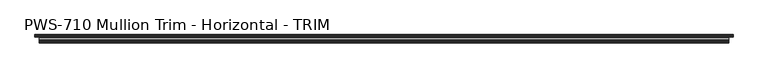
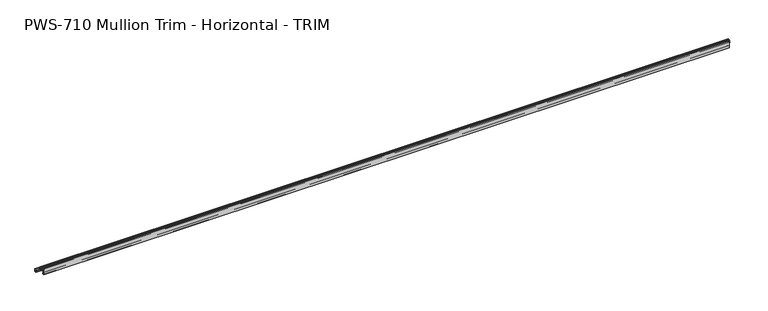
"""IFC4 building model written with IfcOpenShell, lengths in millimetres: proxy geometry, PWS-710 Mullion Trim - Horizontal - TRIM."""

from ifc_helpers import new_model, si_unit, frame, origin, place, context, project, spatial, polyline, circle_curve, source, transform, mapped, element, save
from ifc_brep_helpers import plane_surface, cylinder_surface, revolved_surface, advanced_brep


def pws_710_mullion_trim_horizontal_trim_9fc55dce(model_context):
    return source(origin(), model_context, "Body", "AdvancedBrep", [
        advanced_brep(
        [(4314.7257813, 49.2125, 14.2917752), (4314.7257813, 49.2125, 2.38252), (4314.7257813, 48.41748, 1.5875), (4314.7257813, 46.89602, 1.5875), (4314.7257813, 46.101, 2.38252), (4314.7257813, 46.101, 4.4357599), (4314.7257813, 42.1005, 7.9585261), (4314.7257813, 38.1, 4.4357599), (4314.7257813, 38.1, 0.762), (4314.7257813, 40.4372806, 0.762), (4314.7257813, 40.5340531, 1.6997088), (4314.7257813, 39.6875, 1.6997088), (4314.7257813, 39.6875, 4.207924), (4314.7257813, 42.1005, 6.35), (4314.7257813, 44.5135, 4.207924), (4314.7257813, 44.5135, 1.6997088), (4314.7257813, 43.6245, 1.6997088), (4314.7257813, 43.6245, 0.9083659), (4314.7257813, 44.7430936, 0.0), (4314.7257813, 50.8, 0.0), (4314.7257813, 50.8, 17.907), (4314.7257813, 49.2125, 17.907), (4314.7257813, 49.2125, 15.875), (4314.7257813, 36.9194335, 15.875), (4314.7257813, 36.9194335, 14.2917752), (0.0, 49.2125, 15.875), (0.0, 49.2125, 17.907), (0.0, 50.8, 17.907), (0.0, 50.8, 0.0), (0.0, 44.7430936, 0.0), (0.0, 43.6245, 0.9083659), (0.0, 43.6245, 1.6997088), (0.0, 44.5135, 1.6997088), (0.0, 44.5135, 4.207924), (0.0, 42.1005, 6.35), (0.0, 39.6875, 4.207924), (0.0, 39.6875, 1.6997088), (0.0, 40.5340531, 1.6997088), (0.0, 40.4372806, 0.762), (0.0, 38.1, 0.762), (0.0, 38.1, 4.4357599), (0.0, 42.1005, 7.9585261), (0.0, 46.101, 4.4357599), (0.0, 46.101, 2.38252), (0.0, 46.89602, 1.5875), (0.0, 48.41748, 1.5875), (0.0, 49.2125, 2.38252), (0.0, 49.2125, 14.2917752), (0.0, 36.9194335, 14.2917752), (0.0, 36.9194335, 15.875), (4289.3257813, 1.5875, 30.95625), (25.4, 1.5875, 30.95625), (25.4, 1.5875, 42.06748), (4289.3257813, 1.5875, 42.06748), (25.4, 2.38252, 42.8625), (4289.3257813, 2.38252, 42.8625), (25.4, 3.90398, 42.8625), (4289.3257813, 3.90398, 42.8625), (25.4, 4.699, 42.06748), (4289.3257813, 4.699, 42.06748), (25.4, 4.699, 40.0142401), (4289.3257813, 4.699, 40.0142401), (25.4, 8.6995, 36.4914739), (4289.3257813, 8.6995, 36.4914739), (25.4, 12.7, 40.0142401), (4289.3257813, 12.7, 40.0142401), (25.4, 12.7, 43.688), (4289.3257813, 12.7, 43.688), (25.4, 10.3627194, 43.688), (4289.3257813, 10.3627194, 43.688), (25.4, 10.2659469, 42.7502912), (4289.3257813, 10.2659469, 42.7502912), (25.4, 11.1125, 42.7502912), (4289.3257813, 11.1125, 42.7502912), (25.4, 11.1125, 40.242076), (4289.3257813, 11.1125, 40.242076), (25.4, 8.6995, 38.1), (4289.3257813, 8.6995, 38.1), (25.4, 6.2865, 40.242076), (4289.3257813, 6.2865, 40.242076), (25.4, 6.2865, 42.7502912), (4289.3257813, 6.2865, 42.7502912), (25.4, 7.1755, 42.7502912), (4289.3257813, 7.1755, 42.7502912), (25.4, 7.1755, 43.5416341), (4289.3257813, 7.1755, 43.5416341), (25.4, 6.0569064, 44.45), (4289.3257813, 6.0569064, 44.45), (25.4, 0.0, 44.45), (4289.3257813, 0.0, 44.45), (25.4, 0.0, 0.0), (4289.3257813, 0.0, 0.0), (25.4, 6.0569064, 0.0), (4289.3257813, 6.0569064, 0.0), (25.4, 7.1755, 0.9083659), (4289.3257813, 7.1755, 0.9083659), (25.4, 7.1755, 1.6997088), (4289.3257813, 7.1755, 1.6997088), (25.4, 6.2865, 1.6997088), (4289.3257813, 6.2865, 1.6997088), (25.4, 6.2865, 4.207924), (4289.3257813, 6.2865, 4.207924), (25.4, 8.6995, 6.35), (4289.3257813, 8.6995, 6.35), (25.4, 11.1125, 4.207924), (4289.3257813, 11.1125, 4.207924), (25.4, 11.1125, 1.6997088), (4289.3257813, 11.1125, 1.6997088), (25.4, 10.2659469, 1.6997088), (4289.3257813, 10.2659469, 1.6997088), (25.4, 10.3627194, 0.762), (4289.3257813, 10.3627194, 0.762), (25.4, 12.7, 0.762), (4289.3257813, 12.7, 0.762), (25.4, 12.7, 4.4357599), (4289.3257813, 12.7, 4.4357599), (25.4, 8.6995, 7.9585261), (4289.3257813, 8.6995, 7.9585261), (25.4, 4.699, 4.4357599), (4289.3257813, 4.699, 4.4357599), (25.4, 4.699, 2.38252), (4289.3257813, 4.699, 2.38252), (25.4, 3.90398, 1.5875), (4289.3257813, 3.90398, 1.5875), (25.4, 2.38252, 1.5875), (4289.3257813, 2.38252, 1.5875), (25.4, 1.5875, 2.38252), (4289.3257813, 1.5875, 2.38252), (25.4, 1.5875, 26.19375), (4289.3257813, 1.5875, 26.19375), (25.4, 3.175, 27.78125), (4289.3257813, 3.175, 27.78125), (25.4, 15.24, 27.78125), (4289.3257813, 15.24, 27.78125), (25.4, 16.8275, 26.19375), (4289.3257813, 16.8275, 26.19375), (25.4, 16.8275, 15.8792752), (4289.3257813, 16.8275, 15.8792752), (25.4, 15.24, 15.8792752), (4289.3257813, 15.24, 15.8792752), (25.4, 15.24, 14.2917752), (4289.3257813, 15.24, 14.2917752), (25.4, 18.415, 14.2917752), (4289.3257813, 18.415, 14.2917752), (25.4, 18.415, 20.2427626), (4289.3257813, 18.415, 20.2427626), (25.4, 32.385, 20.2427626), (4289.3257813, 32.385, 20.2427626), (25.4, 32.385, 14.2917752), (4289.3257813, 32.385, 14.2917752), (25.4, 35.56, 14.2917752), (4289.3257813, 35.56, 14.2917752), (4289.3257813, 36.9194335, 14.2917752), (25.4, 36.9194335, 14.2917752), (25.4, 36.9194335, 15.875), (25.4, 34.76625, 15.875), (4289.3257813, 34.76625, 15.875), (4289.3257813, 36.9194335, 15.875), (25.4, 33.9725, 15.875), (4289.3257813, 33.9725, 15.875), (25.4, 33.9725, 17.4625), (4289.3257813, 33.9725, 17.4625), (25.4, 35.56, 17.4625), (4289.3257813, 35.56, 17.4625), (25.4, 36.35502, 18.25752), (4289.3257813, 36.35502, 18.25752), (25.4, 36.35502, 19.05), (4289.3257813, 36.35502, 19.05), (25.4, 33.9725, 19.05), (4289.3257813, 33.9725, 19.05), (25.4, 33.9725, 27.78125), (4289.3257813, 33.9725, 27.78125), (25.4, 35.56, 27.78125), (4289.3257813, 35.56, 27.78125), (25.4, 35.56, 29.36875), (4289.3257813, 35.56, 29.36875), (25.4, 32.385, 29.36875), (4289.3257813, 32.385, 29.36875), (25.4, 32.385, 23.4177626), (4289.3257813, 32.385, 23.4177626), (25.4, 18.415, 23.4177626), (4289.3257813, 18.415, 23.4177626), (25.4, 18.415, 29.36875), (4289.3257813, 18.415, 29.36875), (25.4, 3.175, 29.36875), (4289.3257813, 3.175, 29.36875)],
        [
            (0, 1),
            (1, 2, circle_curve(frame((4314.7257813, 48.41748, 2.38252), z_axis=(-1.0, 0.0, 0.0), x_axis=(0.0, 1.0, 0.0)), 0.79502)),
            (2, 3),
            (3, 4, circle_curve(frame((4314.7257813, 46.89602, 2.38252), z_axis=(-1.0, 0.0, 0.0), x_axis=(0.0, 1.0, 0.0)), 0.79502)),
            (4, 5),
            (5, 6, circle_curve(frame((4314.7257813, 41.4694327, 3.2089841), z_axis=(1.0, 0.0, 0.0), x_axis=(0.0, 1.0, 0.0)), 4.7912832)),
            (6, 7, circle_curve(frame((4314.7257813, 42.7315673, 3.2089841), z_axis=(1.0, 0.0, 0.0), x_axis=(0.0, 1.0, 0.0)), 4.7912832)),
            (7, 8),
            (8, 9),
            (9, 10, circle_curve(frame((4314.7257813, 39.4755121, 1.3351034), z_axis=(1.0, 0.0, 0.0), x_axis=(0.0, 1.0, 0.0)), 1.1195742)),
            (10, 11),
            (11, 12),
            (12, 13, circle_curve(frame((4314.7257813, 42.7315673, 3.2089841), z_axis=(-1.0, 0.0, 0.0), x_axis=(0.0, 1.0, 0.0)), 3.2037832)),
            (13, 14, circle_curve(frame((4314.7257813, 41.4694327, 3.2089841), z_axis=(-1.0, 0.0, 0.0), x_axis=(0.0, 1.0, 0.0)), 3.2037832)),
            (14, 15),
            (15, 16),
            (16, 17),
            (17, 18, circle_curve(frame((4314.7257813, 44.7430936, 1.1429206), z_axis=(1.0, 0.0, 0.0), x_axis=(0.0, 1.0, 0.0)), 1.1429206)),
            (18, 19),
            (19, 20),
            (20, 21),
            (21, 22),
            (22, 23),
            (23, 24),
            (24, 0),
            (25, 26),
            (26, 27),
            (27, 28),
            (28, 29),
            (29, 30, circle_curve(frame((0.0, 44.7430936, 1.1429206), z_axis=(-1.0, 0.0, 0.0), x_axis=(0.0, 1.0, 0.0)), 1.1429206)),
            (30, 31),
            (31, 32),
            (32, 33),
            (33, 34, circle_curve(frame((0.0, 41.4694327, 3.2089841), z_axis=(1.0, 0.0, 0.0), x_axis=(0.0, 1.0, 0.0)), 3.2037832)),
            (34, 35, circle_curve(frame((0.0, 42.7315673, 3.2089841), z_axis=(1.0, 0.0, 0.0), x_axis=(0.0, 1.0, 0.0)), 3.2037832)),
            (35, 36),
            (36, 37),
            (37, 38, circle_curve(frame((0.0, 39.4755121, 1.3351034), z_axis=(-1.0, 0.0, 0.0), x_axis=(0.0, 1.0, 0.0)), 1.1195742)),
            (38, 39),
            (39, 40),
            (40, 41, circle_curve(frame((0.0, 42.7315673, 3.2089841), z_axis=(-1.0, 0.0, 0.0), x_axis=(0.0, 1.0, 0.0)), 4.7912832)),
            (41, 42, circle_curve(frame((0.0, 41.4694327, 3.2089841), z_axis=(-1.0, 0.0, 0.0), x_axis=(0.0, 1.0, 0.0)), 4.7912832)),
            (42, 43),
            (43, 44, circle_curve(frame((0.0, 46.89602, 2.38252), z_axis=(1.0, 0.0, 0.0), x_axis=(0.0, 1.0, 0.0)), 0.79502)),
            (44, 45),
            (45, 46, circle_curve(frame((0.0, 48.41748, 2.38252), z_axis=(1.0, 0.0, 0.0), x_axis=(0.0, 1.0, 0.0)), 0.79502)),
            (46, 47),
            (47, 48),
            (48, 49),
            (49, 25),
            (50, 51),
            (51, 52),
            (52, 53),
            (53, 50),
            (52, 54, circle_curve(frame((25.4, 2.38252, 42.06748), z_axis=(-1.0, 0.0, 0.0), x_axis=(0.0, 1.0, 0.0)), 0.79502)),
            (54, 55),
            (55, 53, circle_curve(frame((4289.3257813, 2.38252, 42.06748), z_axis=(1.0, 0.0, 0.0), x_axis=(0.0, 1.0, 0.0)), 0.79502)),
            (54, 56),
            (56, 57),
            (57, 55),
            (56, 58, circle_curve(frame((25.4, 3.90398, 42.06748), z_axis=(-1.0, 0.0, 0.0), x_axis=(0.0, 1.0, 0.0)), 0.79502)),
            (58, 59),
            (59, 57, circle_curve(frame((4289.3257813, 3.90398, 42.06748), z_axis=(1.0, 0.0, 0.0), x_axis=(0.0, 1.0, 0.0)), 0.79502)),
            (58, 60),
            (60, 61),
            (61, 59),
            (60, 62, circle_curve(frame((25.4, 9.3305673, 41.2410159), z_axis=(1.0, 0.0, 0.0), x_axis=(0.0, 1.0, 0.0)), 4.7912832)),
            (62, 63),
            (63, 61, circle_curve(frame((4289.3257813, 9.3305673, 41.2410159), z_axis=(-1.0, 0.0, 0.0), x_axis=(0.0, 1.0, 0.0)), 4.7912832)),
            (62, 64, circle_curve(frame((25.4, 8.0684327, 41.2410159), z_axis=(1.0, 0.0, 0.0), x_axis=(0.0, 1.0, 0.0)), 4.7912832)),
            (64, 65),
            (65, 63, circle_curve(frame((4289.3257813, 8.0684327, 41.2410159), z_axis=(-1.0, 0.0, 0.0), x_axis=(0.0, 1.0, 0.0)), 4.7912832)),
            (64, 66),
            (66, 67),
            (67, 65),
            (66, 68),
            (68, 69),
            (69, 67),
            (68, 70, circle_curve(frame((25.4, 11.3244879, 43.1148966), z_axis=(1.0, 0.0, 0.0), x_axis=(0.0, 1.0, 0.0)), 1.1195742)),
            (70, 71),
            (71, 69, circle_curve(frame((4289.3257813, 11.3244879, 43.1148966), z_axis=(-1.0, 0.0, 0.0), x_axis=(0.0, 1.0, 0.0)), 1.1195742)),
            (70, 72),
            (72, 73),
            (73, 71),
            (72, 74),
            (74, 75),
            (75, 73),
            (74, 76, circle_curve(frame((25.4, 8.0684327, 41.2410159), z_axis=(-1.0, 0.0, 0.0), x_axis=(0.0, 1.0, 0.0)), 3.2037832)),
            (76, 77),
            (77, 75, circle_curve(frame((4289.3257813, 8.0684327, 41.2410159), z_axis=(1.0, 0.0, 0.0), x_axis=(0.0, 1.0, 0.0)), 3.2037832)),
            (76, 78, circle_curve(frame((25.4, 9.3305673, 41.2410159), z_axis=(-1.0, 0.0, 0.0), x_axis=(0.0, 1.0, 0.0)), 3.2037832)),
            (78, 79),
            (79, 77, circle_curve(frame((4289.3257813, 9.3305673, 41.2410159), z_axis=(1.0, 0.0, 0.0), x_axis=(0.0, 1.0, 0.0)), 3.2037832)),
            (78, 80),
            (80, 81),
            (81, 79),
            (80, 82),
            (82, 83),
            (83, 81),
            (82, 84),
            (84, 85),
            (85, 83),
            (84, 86, circle_curve(frame((25.4, 6.0569064, 43.3070794), z_axis=(1.0, 0.0, 0.0), x_axis=(0.0, 1.0, 0.0)), 1.1429206)),
            (86, 87),
            (87, 85, circle_curve(frame((4289.3257813, 6.0569064, 43.3070794), z_axis=(-1.0, 0.0, 0.0), x_axis=(0.0, 1.0, 0.0)), 1.1429206)),
            (86, 88),
            (88, 89),
            (89, 87),
            (88, 90),
            (90, 91),
            (91, 89),
            (90, 92),
            (92, 93),
            (93, 91),
            (92, 94, circle_curve(frame((25.4, 6.0569064, 1.1429206), z_axis=(1.0, 0.0, 0.0), x_axis=(0.0, 1.0, 0.0)), 1.1429206)),
            (94, 95),
            (95, 93, circle_curve(frame((4289.3257813, 6.0569064, 1.1429206), z_axis=(-1.0, 0.0, 0.0), x_axis=(0.0, 1.0, 0.0)), 1.1429206)),
            (94, 96),
            (96, 97),
            (97, 95),
            (96, 98),
            (98, 99),
            (99, 97),
            (98, 100),
            (100, 101),
            (101, 99),
            (100, 102, circle_curve(frame((25.4, 9.3305673, 3.2089841), z_axis=(-1.0, 0.0, 0.0), x_axis=(0.0, 1.0, 0.0)), 3.2037832)),
            (102, 103),
            (103, 101, circle_curve(frame((4289.3257813, 9.3305673, 3.2089841), z_axis=(1.0, 0.0, 0.0), x_axis=(0.0, 1.0, 0.0)), 3.2037832)),
            (102, 104, circle_curve(frame((25.4, 8.0684327, 3.2089841), z_axis=(-1.0, 0.0, 0.0), x_axis=(0.0, 1.0, 0.0)), 3.2037832)),
            (104, 105),
            (105, 103, circle_curve(frame((4289.3257813, 8.0684327, 3.2089841), z_axis=(1.0, 0.0, 0.0), x_axis=(0.0, 1.0, 0.0)), 3.2037832)),
            (104, 106),
            (106, 107),
            (107, 105),
            (106, 108),
            (108, 109),
            (109, 107),
            (108, 110, circle_curve(frame((25.4, 11.3244879, 1.3351034), z_axis=(1.0, 0.0, 0.0), x_axis=(0.0, 1.0, 0.0)), 1.1195742)),
            (110, 111),
            (111, 109, circle_curve(frame((4289.3257813, 11.3244879, 1.3351034), z_axis=(-1.0, 0.0, 0.0), x_axis=(0.0, 1.0, 0.0)), 1.1195742)),
            (110, 112),
            (112, 113),
            (113, 111),
            (112, 114),
            (114, 115),
            (115, 113),
            (114, 116, circle_curve(frame((25.4, 8.0684327, 3.2089841), z_axis=(1.0, 0.0, 0.0), x_axis=(0.0, 1.0, 0.0)), 4.7912832)),
            (116, 117),
            (117, 115, circle_curve(frame((4289.3257813, 8.0684327, 3.2089841), z_axis=(-1.0, 0.0, 0.0), x_axis=(0.0, 1.0, 0.0)), 4.7912832)),
            (116, 118, circle_curve(frame((25.4, 9.3305673, 3.2089841), z_axis=(1.0, 0.0, 0.0), x_axis=(0.0, 1.0, 0.0)), 4.7912832)),
            (118, 119),
            (119, 117, circle_curve(frame((4289.3257813, 9.3305673, 3.2089841), z_axis=(-1.0, 0.0, 0.0), x_axis=(0.0, 1.0, 0.0)), 4.7912832)),
            (118, 120),
            (120, 121),
            (121, 119),
            (120, 122, circle_curve(frame((25.4, 3.90398, 2.38252), z_axis=(-1.0, 0.0, 0.0), x_axis=(0.0, 1.0, 0.0)), 0.79502)),
            (122, 123),
            (123, 121, circle_curve(frame((4289.3257813, 3.90398, 2.38252), z_axis=(1.0, 0.0, 0.0), x_axis=(0.0, 1.0, 0.0)), 0.79502)),
            (122, 124),
            (124, 125),
            (125, 123),
            (124, 126, circle_curve(frame((25.4, 2.38252, 2.38252), z_axis=(-1.0, 0.0, 0.0), x_axis=(0.0, 1.0, 0.0)), 0.79502)),
            (126, 127),
            (127, 125, circle_curve(frame((4289.3257813, 2.38252, 2.38252), z_axis=(1.0, 0.0, 0.0), x_axis=(0.0, 1.0, 0.0)), 0.79502)),
            (126, 128),
            (128, 129),
            (129, 127),
            (128, 130, circle_curve(frame((25.4, 3.175, 26.19375), z_axis=(-1.0, 0.0, 0.0), x_axis=(0.0, 1.0, 0.0)), 1.5875)),
            (130, 131),
            (131, 129, circle_curve(frame((4289.3257813, 3.175, 26.19375), z_axis=(1.0, 0.0, 0.0), x_axis=(0.0, 1.0, 0.0)), 1.5875)),
            (130, 132),
            (132, 133),
            (133, 131),
            (132, 134, circle_curve(frame((25.4, 15.24, 26.19375), z_axis=(-1.0, 0.0, 0.0), x_axis=(0.0, 1.0, 0.0)), 1.5875)),
            (134, 135),
            (135, 133, circle_curve(frame((4289.3257813, 15.24, 26.19375), z_axis=(1.0, 0.0, 0.0), x_axis=(0.0, 1.0, 0.0)), 1.5875)),
            (134, 136),
            (136, 137),
            (137, 135),
            (136, 138),
            (138, 139),
            (139, 137),
            (138, 140),
            (140, 141),
            (141, 139),
            (140, 142),
            (142, 143),
            (143, 141),
            (142, 144),
            (144, 145),
            (145, 143),
            (144, 146),
            (146, 147),
            (147, 145),
            (146, 148),
            (148, 149),
            (149, 147),
            (148, 150),
            (150, 151),
            (151, 149),
            (47, 0),
            (24, 152),
            (152, 151),
            (150, 153),
            (153, 48),
            (46, 1),
            (45, 2),
            (44, 3),
            (43, 4),
            (42, 5),
            (41, 6),
            (40, 7),
            (39, 8),
            (38, 9),
            (37, 10),
            (36, 11),
            (35, 12),
            (34, 13),
            (33, 14),
            (32, 15),
            (31, 16),
            (30, 17),
            (29, 18),
            (28, 19),
            (27, 20),
            (26, 21),
            (25, 22),
            (49, 154),
            (154, 155),
            (155, 156),
            (156, 157),
            (157, 23),
            (155, 158),
            (158, 159),
            (159, 156),
            (158, 160),
            (160, 161),
            (161, 159),
            (160, 162),
            (162, 163),
            (163, 161),
            (162, 164, circle_curve(frame((25.4, 35.56, 18.25752), z_axis=(1.0, 0.0, 0.0), x_axis=(0.0, 1.0, 0.0)), 0.79502)),
            (164, 165),
            (165, 163, circle_curve(frame((4289.3257813, 35.56, 18.25752), z_axis=(-1.0, 0.0, 0.0), x_axis=(0.0, 1.0, 0.0)), 0.79502)),
            (164, 166),
            (166, 167),
            (167, 165),
            (166, 168),
            (168, 169),
            (169, 167),
            (168, 170),
            (170, 171),
            (171, 169),
            (170, 172),
            (172, 173),
            (173, 171),
            (172, 174),
            (174, 175),
            (175, 173),
            (174, 176),
            (176, 177),
            (177, 175),
            (176, 178),
            (178, 179),
            (179, 177),
            (178, 180),
            (180, 181),
            (181, 179),
            (180, 182),
            (182, 183),
            (183, 181),
            (182, 184),
            (184, 185),
            (185, 183),
            (50, 185, circle_curve(frame((4289.3257813, 3.175, 30.95625), z_axis=(1.0, 0.0, 0.0), x_axis=(0.0, 1.0, 0.0)), 1.5875)),
            (184, 51, circle_curve(frame((25.4, 3.175, 30.95625), z_axis=(-1.0, 0.0, 0.0), x_axis=(0.0, 1.0, 0.0)), 1.5875)),
            (153, 154),
            (157, 152),
        ],
        [
            plane_surface(frame((4314.7257813, 1.5875, 30.95625), z_axis=(1.0, 0.0, 0.0), x_axis=(0.0, 0.0, 1.0))),
            plane_surface(frame((0.0, 1.5875, 30.95625), z_axis=(-1.0, 0.0, 0.0), x_axis=(0.0, 0.0, -1.0))),
            plane_surface(frame((4314.7257813, 1.5875, 30.95625), z_axis=(0.0, 1.0, 0.0), x_axis=(-1.0, 0.0, 0.0))),
            revolved_surface(polyline([(25.4, 3.17754, 42.06748), (4289.3257813, 3.17754, 42.06748)]), (0.0, 2.38252, 42.06748), (-1.0, 0.0, 0.0)),
            plane_surface(frame((4314.7257813, 2.38252, 42.8625), z_axis=(0.0, 0.0, -1.0), x_axis=(-1.0, 0.0, 0.0))),
            revolved_surface(polyline([(25.4, 4.699, 42.06748), (4289.3257813, 4.699, 42.06748)]), (0.0, 3.90398, 42.06748), (-1.0, 0.0, 0.0)),
            plane_surface(frame((4314.7257813, 4.699, 42.06748), z_axis=(0.0, -1.0, 0.0), x_axis=(-1.0, 0.0, 0.0))),
            cylinder_surface(frame((0.0, 9.3305673, 41.2410159), z_axis=(1.0, 0.0, 0.0), x_axis=(0.0, 1.0, 0.0)), 4.7912832),
            cylinder_surface(frame((0.0, 8.0684327, 41.2410159), z_axis=(1.0, 0.0, 0.0), x_axis=(0.0, 1.0, 0.0)), 4.7912832),
            plane_surface(frame((4314.7257813, 12.7, 40.0142401), z_axis=(0.0, 1.0, 0.0), x_axis=(-1.0, 0.0, 0.0))),
            plane_surface(frame((4314.7257813, 12.7, 43.688), z_axis=(0.0, 0.0, 1.0), x_axis=(-1.0, 0.0, 0.0))),
            cylinder_surface(frame((0.0, 11.3244879, 43.1148966), z_axis=(1.0, 0.0, 0.0), x_axis=(0.0, 1.0, 0.0)), 1.1195742),
            plane_surface(frame((4314.7257813, 10.2659469, 42.7502912), z_axis=(0.0, 0.0, -1.0), x_axis=(-1.0, 0.0, 0.0))),
            plane_surface(frame((4314.7257813, 11.1125, 42.7502912), z_axis=(0.0, -1.0, 0.0), x_axis=(-1.0, 0.0, 0.0))),
            revolved_surface(polyline([(25.4, 11.2722159, 41.2410159), (4289.3257813, 11.2722159, 41.2410159)]), (0.0, 8.0684327, 41.2410159), (-1.0, 0.0, 0.0)),
            revolved_surface(polyline([(25.4, 12.5343505, 41.2410159), (4289.3257813, 12.5343505, 41.2410159)]), (0.0, 9.3305673, 41.2410159), (-1.0, 0.0, 0.0)),
            plane_surface(frame((4314.7257813, 6.2865, 40.242076), z_axis=(0.0, 1.0, 0.0), x_axis=(-1.0, 0.0, 0.0))),
            plane_surface(frame((4314.7257813, 6.2865, 42.7502912), z_axis=(0.0, 0.0, -1.0), x_axis=(-1.0, 0.0, 0.0))),
            plane_surface(frame((4314.7257813, 7.1755, 42.7502912), z_axis=(0.0, 1.0, 0.0), x_axis=(-1.0, 0.0, 0.0))),
            cylinder_surface(frame((0.0, 6.0569064, 43.3070794), z_axis=(1.0, 0.0, 0.0), x_axis=(0.0, 1.0, 0.0)), 1.1429206),
            plane_surface(frame((4314.7257813, 6.0569064, 44.45), z_axis=(0.0, 0.0, 1.0), x_axis=(-1.0, 0.0, 0.0))),
            plane_surface(frame((4314.7257813, 0.0, 44.45), z_axis=(0.0, -1.0, 0.0), x_axis=(-1.0, 0.0, 0.0))),
            plane_surface(frame((4314.7257813, 0.0, 0.0), z_axis=(0.0, 0.0, -1.0), x_axis=(-1.0, 0.0, 0.0))),
            cylinder_surface(frame((0.0, 6.0569064, 1.1429206), z_axis=(1.0, 0.0, 0.0), x_axis=(0.0, 1.0, 0.0)), 1.1429206),
            plane_surface(frame((4314.7257813, 7.1755, 0.9083659), z_axis=(0.0, 1.0, 0.0), x_axis=(-1.0, 0.0, 0.0))),
            plane_surface(frame((4314.7257813, 7.1755, 1.6997088), z_axis=(0.0, 0.0, 1.0), x_axis=(-1.0, 0.0, 0.0))),
            plane_surface(frame((4314.7257813, 6.2865, 1.6997088), z_axis=(0.0, 1.0, 0.0), x_axis=(-1.0, 0.0, 0.0))),
            revolved_surface(polyline([(25.4, 12.5343505, 3.2089841), (4289.3257813, 12.5343505, 3.2089841)]), (0.0, 9.3305673, 3.2089841), (-1.0, 0.0, 0.0)),
            revolved_surface(polyline([(25.4, 11.2722159, 3.2089841), (4289.3257813, 11.2722159, 3.2089841)]), (0.0, 8.0684327, 3.2089841), (-1.0, 0.0, 0.0)),
            plane_surface(frame((4314.7257813, 11.1125, 4.207924), z_axis=(0.0, -1.0, 0.0), x_axis=(-1.0, 0.0, 0.0))),
            plane_surface(frame((4314.7257813, 11.1125, 1.6997088), z_axis=(0.0, 0.0, 1.0), x_axis=(-1.0, 0.0, 0.0))),
            cylinder_surface(frame((0.0, 11.3244879, 1.3351034), z_axis=(1.0, 0.0, 0.0), x_axis=(0.0, 1.0, 0.0)), 1.1195742),
            plane_surface(frame((4314.7257813, 10.3627194, 0.762), z_axis=(0.0, 0.0, -1.0), x_axis=(-1.0, 0.0, 0.0))),
            plane_surface(frame((4314.7257813, 12.7, 0.762), z_axis=(0.0, 1.0, 0.0), x_axis=(-1.0, 0.0, 0.0))),
            cylinder_surface(frame((0.0, 8.0684327, 3.2089841), z_axis=(1.0, 0.0, 0.0), x_axis=(0.0, 1.0, 0.0)), 4.7912832),
            cylinder_surface(frame((0.0, 9.3305673, 3.2089841), z_axis=(1.0, 0.0, 0.0), x_axis=(0.0, 1.0, 0.0)), 4.7912832),
            plane_surface(frame((4314.7257813, 4.699, 4.4357599), z_axis=(0.0, -1.0, 0.0), x_axis=(-1.0, 0.0, 0.0))),
            revolved_surface(polyline([(25.4, 4.699, 2.38252), (4289.3257813, 4.699, 2.38252)]), (0.0, 3.90398, 2.38252), (-1.0, 0.0, 0.0)),
            plane_surface(frame((4314.7257813, 3.90398, 1.5875), z_axis=(0.0, 0.0, 1.0), x_axis=(-1.0, 0.0, 0.0))),
            revolved_surface(polyline([(25.4, 3.17754, 2.38252), (4289.3257813, 3.17754, 2.38252)]), (0.0, 2.38252, 2.38252), (-1.0, 0.0, 0.0)),
            plane_surface(frame((4314.7257813, 1.5875, 2.38252), z_axis=(0.0, 1.0, 0.0), x_axis=(-1.0, 0.0, 0.0))),
            revolved_surface(polyline([(25.4, 4.762499999999999, 26.19375), (4289.3257813, 4.762499999999999, 26.19375)]), (0.0, 3.175, 26.19375), (-1.0, 0.0, 0.0)),
            plane_surface(frame((4314.7257813, 3.175, 27.78125), z_axis=(0.0, 0.0, -1.0), x_axis=(-1.0, 0.0, 0.0))),
            revolved_surface(polyline([(25.4, 16.8275, 26.19375), (4289.3257813, 16.8275, 26.19375)]), (0.0, 15.24, 26.19375), (-1.0, 0.0, 0.0)),
            plane_surface(frame((4314.7257813, 16.8275, 26.19375), z_axis=(0.0, -1.0, 0.0), x_axis=(-1.0, 0.0, 0.0))),
            plane_surface(frame((4314.7257813, 16.8275, 15.8792752), z_axis=(0.0, 0.0, 1.0), x_axis=(-1.0, 0.0, 0.0))),
            plane_surface(frame((4314.7257813, 15.24, 15.8792752), z_axis=(0.0, -1.0, 0.0), x_axis=(-1.0, 0.0, 0.0))),
            plane_surface(frame((4314.7257813, 15.24, 14.2917752), z_axis=(0.0, 0.0, -1.0), x_axis=(-1.0, 0.0, 0.0))),
            plane_surface(frame((4314.7257813, 18.415, 14.2917752), z_axis=(0.0, 1.0, 0.0), x_axis=(-1.0, 0.0, 0.0))),
            plane_surface(frame((4314.7257813, 18.415, 20.2427626), z_axis=(0.0, 0.0, -1.0), x_axis=(-1.0, 0.0, 0.0))),
            plane_surface(frame((4314.7257813, 32.385, 20.2427626), z_axis=(0.0, -1.0, 0.0), x_axis=(-1.0, 0.0, 0.0))),
            plane_surface(frame((4314.7257813, 32.385, 14.2917752), z_axis=(0.0, 0.0, -1.0), x_axis=(-1.0, 0.0, 0.0))),
            plane_surface(frame((4314.7257813, 35.56, 14.2917752), z_axis=(0.0, 0.0, -1.0), x_axis=(-1.0, 0.0, 0.0))),
            plane_surface(frame((4314.7257813, 49.2125, 14.2917752), z_axis=(0.0, -1.0, 0.0), x_axis=(-1.0, 0.0, 0.0))),
            revolved_surface(polyline([(0.0, 49.2125, 2.38252), (4314.7257813, 49.2125, 2.38252)]), (0.0, 48.41748, 2.38252), (-1.0, 0.0, 0.0)),
            plane_surface(frame((4314.7257813, 48.41748, 1.5875), z_axis=(0.0, 0.0, 1.0), x_axis=(-1.0, 0.0, 0.0))),
            revolved_surface(polyline([(0.0, 47.69104, 2.38252), (4314.7257813, 47.69104, 2.38252)]), (0.0, 46.89602, 2.38252), (-1.0, 0.0, 0.0)),
            plane_surface(frame((4314.7257813, 46.101, 2.38252), z_axis=(0.0, 1.0, 0.0), x_axis=(-1.0, 0.0, 0.0))),
            cylinder_surface(frame((0.0, 41.4694327, 3.2089841), z_axis=(1.0, 0.0, 0.0), x_axis=(0.0, 1.0, 0.0)), 4.7912832),
            cylinder_surface(frame((0.0, 42.7315673, 3.2089841), z_axis=(1.0, 0.0, 0.0), x_axis=(0.0, 1.0, 0.0)), 4.7912832),
            plane_surface(frame((4314.7257813, 38.1, 4.4357599), z_axis=(0.0, -1.0, 0.0), x_axis=(-1.0, 0.0, 0.0))),
            plane_surface(frame((4314.7257813, 38.1, 0.762), z_axis=(0.0, 0.0, -1.0), x_axis=(-1.0, 0.0, 0.0))),
            cylinder_surface(frame((0.0, 39.4755121, 1.3351034), z_axis=(1.0, 0.0, 0.0), x_axis=(0.0, 1.0, 0.0)), 1.1195742),
            plane_surface(frame((4314.7257813, 40.5340531, 1.6997088), z_axis=(0.0, 0.0, 1.0), x_axis=(-1.0, 0.0, 0.0))),
            plane_surface(frame((4314.7257813, 39.6875, 1.6997088), z_axis=(0.0, 1.0, 0.0), x_axis=(-1.0, 0.0, 0.0))),
            revolved_surface(polyline([(0.0, 45.9353505, 3.2089841), (4314.7257813, 45.9353505, 3.2089841)]), (0.0, 42.7315673, 3.2089841), (-1.0, 0.0, 0.0)),
            revolved_surface(polyline([(0.0, 44.6732159, 3.2089841), (4314.7257813, 44.6732159, 3.2089841)]), (0.0, 41.4694327, 3.2089841), (-1.0, 0.0, 0.0)),
            plane_surface(frame((4314.7257813, 44.5135, 4.207924), z_axis=(0.0, -1.0, 0.0), x_axis=(-1.0, 0.0, 0.0))),
            plane_surface(frame((4314.7257813, 44.5135, 1.6997088), z_axis=(0.0, 0.0, 1.0), x_axis=(-1.0, 0.0, 0.0))),
            plane_surface(frame((4314.7257813, 43.6245, 1.6997088), z_axis=(0.0, -1.0, 0.0), x_axis=(-1.0, 0.0, 0.0))),
            cylinder_surface(frame((0.0, 44.7430936, 1.1429206), z_axis=(1.0, 0.0, 0.0), x_axis=(0.0, 1.0, 0.0)), 1.1429206),
            plane_surface(frame((4314.7257813, 44.7430936, 0.0), z_axis=(0.0, 0.0, -1.0), x_axis=(-1.0, 0.0, 0.0))),
            plane_surface(frame((4314.7257813, 50.8, 0.0), z_axis=(0.0, 1.0, 0.0), x_axis=(-1.0, 0.0, 0.0))),
            plane_surface(frame((4314.7257813, 50.8, 17.907), z_axis=(0.0, 0.0, 1.0), x_axis=(-1.0, 0.0, 0.0))),
            plane_surface(frame((4314.7257813, 49.2125, 17.907), z_axis=(0.0, -1.0, 0.0), x_axis=(-1.0, 0.0, 0.0))),
            plane_surface(frame((4314.7257813, 49.2125, 15.875), z_axis=(0.0, 0.0, 1.0), x_axis=(-1.0, 0.0, 0.0))),
            plane_surface(frame((4314.7257813, 34.76625, 15.875), z_axis=(0.0, 0.0, 1.0), x_axis=(-1.0, 0.0, 0.0))),
            plane_surface(frame((4314.7257813, 33.9725, 15.875), z_axis=(0.0, 1.0, 0.0), x_axis=(-1.0, 0.0, 0.0))),
            plane_surface(frame((4314.7257813, 33.9725, 17.4625), z_axis=(0.0, 0.0, -1.0), x_axis=(-1.0, 0.0, 0.0))),
            cylinder_surface(frame((0.0, 35.56, 18.25752), z_axis=(1.0, 0.0, 0.0), x_axis=(0.0, 1.0, 0.0)), 0.79502),
            plane_surface(frame((4314.7257813, 36.35502, 18.25752), z_axis=(0.0, 1.0, 0.0), x_axis=(-1.0, 0.0, 0.0))),
            plane_surface(frame((4314.7257813, 36.35502, 19.05), z_axis=(0.0, 0.0, 1.0), x_axis=(-1.0, 0.0, 0.0))),
            plane_surface(frame((4314.7257813, 33.9725, 19.05), z_axis=(0.0, 1.0, 0.0), x_axis=(-1.0, 0.0, 0.0))),
            plane_surface(frame((4314.7257813, 33.9725, 27.78125), z_axis=(0.0, 0.0, -1.0), x_axis=(-1.0, 0.0, 0.0))),
            plane_surface(frame((4314.7257813, 35.56, 27.78125), z_axis=(0.0, 1.0, 0.0), x_axis=(-1.0, 0.0, 0.0))),
            plane_surface(frame((4314.7257813, 35.56, 29.36875), z_axis=(0.0, 0.0, 1.0), x_axis=(-1.0, 0.0, 0.0))),
            plane_surface(frame((4314.7257813, 32.385, 29.36875), z_axis=(0.0, -1.0, 0.0), x_axis=(-1.0, 0.0, 0.0))),
            plane_surface(frame((4314.7257813, 32.385, 23.4177626), z_axis=(0.0, 0.0, 1.0), x_axis=(-1.0, 0.0, 0.0))),
            plane_surface(frame((4314.7257813, 18.415, 23.4177626), z_axis=(0.0, 1.0, 0.0), x_axis=(-1.0, 0.0, 0.0))),
            plane_surface(frame((4314.7257813, 18.415, 29.36875), z_axis=(0.0, 0.0, 1.0), x_axis=(-1.0, 0.0, 0.0))),
            revolved_surface(polyline([(25.4, 4.762499999999999, 30.95625), (4289.3257813, 4.762499999999999, 30.95625)]), (0.0, 3.175, 30.95625), (-1.0, 0.0, 0.0)),
            plane_surface(frame((25.4, 36.9194335, 45.0726864), z_axis=(0.0, -1.0, 0.0), x_axis=(0.0, 0.0, -1.0))),
            plane_surface(frame((25.4, 0.0, 45.0726864), z_axis=(-1.0, 0.0, 0.0), x_axis=(0.0, 0.0, -1.0))),
            plane_surface(frame((4314.7257813, 36.9194335, 45.0726864), z_axis=(0.0, -1.0, 0.0), x_axis=(0.0, 0.0, -1.0))),
            plane_surface(frame((4289.3257813, 36.9194335, 45.0726864), z_axis=(1.0, 0.0, 0.0), x_axis=(0.0, 0.0, -1.0))),
        ],
        [
            (0, [[1, 2, 3, 4, 5, 6, 7, 8, 9, 10, 11, 12, 13, 14, 15, 16, 17, 18, 19, 20, 21, 22, 23, 24, 25]]),
            (1, [[26, 27, 28, 29, 30, 31, 32, 33, 34, 35, 36, 37, 38, 39, 40, 41, 42, 43, 44, 45, 46, 47, 48, 49, 50]]),
            (2, [[51, 52, 53, 54]]),
            (3, [[-53, 55, 56, 57]]),
            (4, [[-56, 58, 59, 60]]),
            (5, [[-59, 61, 62, 63]]),
            (6, [[-62, 64, 65, 66]]),
            (7, [[-65, 67, 68, 69]]),
            (8, [[-68, 70, 71, 72]]),
            (9, [[-71, 73, 74, 75]]),
            (10, [[-74, 76, 77, 78]]),
            (11, [[-77, 79, 80, 81]]),
            (12, [[-80, 82, 83, 84]]),
            (13, [[-83, 85, 86, 87]]),
            (14, [[-86, 88, 89, 90]]),
            (15, [[-89, 91, 92, 93]]),
            (16, [[-92, 94, 95, 96]]),
            (17, [[-95, 97, 98, 99]]),
            (18, [[-98, 100, 101, 102]]),
            (19, [[-101, 103, 104, 105]]),
            (20, [[-104, 106, 107, 108]]),
            (21, [[-107, 109, 110, 111]]),
            (22, [[-110, 112, 113, 114]]),
            (23, [[-113, 115, 116, 117]]),
            (24, [[-116, 118, 119, 120]]),
            (25, [[-119, 121, 122, 123]]),
            (26, [[-122, 124, 125, 126]]),
            (27, [[-125, 127, 128, 129]]),
            (28, [[-128, 130, 131, 132]]),
            (29, [[-131, 133, 134, 135]]),
            (30, [[-134, 136, 137, 138]]),
            (31, [[-137, 139, 140, 141]]),
            (32, [[-140, 142, 143, 144]]),
            (33, [[-143, 145, 146, 147]]),
            (34, [[-146, 148, 149, 150]]),
            (35, [[-149, 151, 152, 153]]),
            (36, [[-152, 154, 155, 156]]),
            (37, [[-155, 157, 158, 159]]),
            (38, [[-158, 160, 161, 162]]),
            (39, [[-161, 163, 164, 165]]),
            (40, [[-164, 166, 167, 168]]),
            (41, [[-167, 169, 170, 171]]),
            (42, [[-170, 172, 173, 174]]),
            (43, [[-173, 175, 176, 177]]),
            (44, [[-176, 178, 179, 180]]),
            (45, [[-179, 181, 182, 183]]),
            (46, [[-182, 184, 185, 186]]),
            (47, [[-185, 187, 188, 189]]),
            (48, [[-188, 190, 191, 192]]),
            (49, [[-191, 193, 194, 195]]),
            (50, [[-194, 196, 197, 198]]),
            (51, [[-197, 199, 200, 201]]),
            (52, [[202, -25, 203, 204, -200, 205, 206, -48]]),
            (53, [[-1, -202, -47, 207]]),
            (54, [[-2, -207, -46, 208]]),
            (55, [[-3, -208, -45, 209]]),
            (56, [[-4, -209, -44, 210]]),
            (57, [[-5, -210, -43, 211]]),
            (58, [[-6, -211, -42, 212]]),
            (59, [[-7, -212, -41, 213]]),
            (60, [[-8, -213, -40, 214]]),
            (61, [[-9, -214, -39, 215]]),
            (62, [[-10, -215, -38, 216]]),
            (63, [[-11, -216, -37, 217]]),
            (64, [[-12, -217, -36, 218]]),
            (65, [[-13, -218, -35, 219]]),
            (66, [[-14, -219, -34, 220]]),
            (67, [[-15, -220, -33, 221]]),
            (68, [[-16, -221, -32, 222]]),
            (69, [[-17, -222, -31, 223]]),
            (70, [[-18, -223, -30, 224]]),
            (71, [[-19, -224, -29, 225]]),
            (72, [[-20, -225, -28, 226]]),
            (73, [[-21, -226, -27, 227]]),
            (74, [[-22, -227, -26, 228]]),
            (75, [[-228, -50, 229, 230, 231, 232, 233, -23]]),
            (76, [[-231, 234, 235, 236]]),
            (77, [[-235, 237, 238, 239]]),
            (78, [[-238, 240, 241, 242]]),
            (79, [[-241, 243, 244, 245]]),
            (80, [[-244, 246, 247, 248]]),
            (81, [[-247, 249, 250, 251]]),
            (82, [[-250, 252, 253, 254]]),
            (83, [[-253, 255, 256, 257]]),
            (84, [[-256, 258, 259, 260]]),
            (85, [[-259, 261, 262, 263]]),
            (86, [[-262, 264, 265, 266]]),
            (87, [[-265, 267, 268, 269]]),
            (88, [[-268, 270, 271, 272]]),
            (89, [[-271, 273, 274, 275]]),
            (90, [[-51, 276, -274, 277]]),
            (91, [[278, -229, -49, -206]]),
            (92, [[-278, -205, -199, -196, -193, -190, -187, -184, -181, -178, -175, -172, -169, -166, -163, -160, -157, -154, -151, -148, -145, -142, -139, -136, -133, -130, -127, -124, -121, -118, -115, -112, -109, -106, -103, -100, -97, -94, -91, -88, -85, -82, -79, -76, -73, -70, -67, -64, -61, -58, -55, -52, -277, -273, -270, -267, -264, -261, -258, -255, -252, -249, -246, -243, -240, -237, -234, -230]]),
            (93, [[279, -203, -24, -233]]),
            (94, [[-279, -232, -236, -239, -242, -245, -248, -251, -254, -257, -260, -263, -266, -269, -272, -275, -276, -54, -57, -60, -63, -66, -69, -72, -75, -78, -81, -84, -87, -90, -93, -96, -99, -102, -105, -108, -111, -114, -117, -120, -123, -126, -129, -132, -135, -138, -141, -144, -147, -150, -153, -156, -159, -162, -165, -168, -171, -174, -177, -180, -183, -186, -189, -192, -195, -198, -201, -204]]),
        ],
    ),
    ])


if __name__ == "__main__":
    model = new_model("IFC4")
    model_context = context("Model", 3, world=origin())
    ifc_project = project(units=[si_unit("LENGTHUNIT", "METRE", prefix="MILLI")], contexts=[model_context])
    site = spatial("IfcSite", under=ifc_project)
    building = spatial("IfcBuilding", under=site)
    placement = place(None, origin())
    pws_710_mullion_trim_horizontal_trim_shape = pws_710_mullion_trim_horizontal_trim_9fc55dce(model_context)
    element("IfcBuildingElementProxy", 1, Name="PWS-710 Mullion Trim - Horizontal - TRIM", ObjectType="PWS-710 Mullion Trim - Horizontal - TRIM", at=placement, inside=building, context=model_context, shape_type="MappedRepresentation", body=[
        mapped(pws_710_mullion_trim_horizontal_trim_shape, transform((0.0, 0.0, 0.0), x_axis=(1.0, 0.0, 0.0), y_axis=(0.0, 1.0, 0.0), z_axis=(0.0, 0.0, 1.0))),
    ])
    save(model, "model.ifc")
